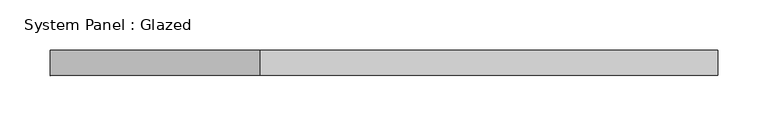
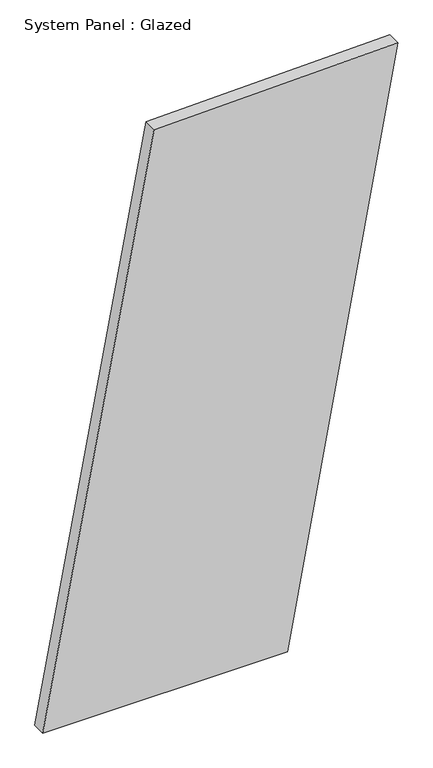
"""IFC4 building model written with IfcOpenShell, lengths in millimetres: plate geometry, System Panel : Glazed."""

from ifc_helpers import new_model, si_unit, frame, origin, place, context, project, spatial, polyline, outline, extrude, source, transform, mapped, element, save


def system_panel_glazed_5c2c7c5c(model_context):
    return source(origin(), model_context, "Body", "SweptSolid", [
        extrude(outline(polyline([(0.0, -331.7758868), (0.0, 125.6552728), (1130.2796949, 331.7758868), (1118.2043546, -123.6641273), (0.0, -331.7758868)])), frame((0.0, -49.5, 0.0), z_axis=(0.0, 1.0, 0.0), x_axis=(0.0, 0.0, 1.0)), (0.0, 0.0, 1.0), 25.0),
    ])


if __name__ == "__main__":
    model = new_model("IFC4")
    model_context = context("Model", 3, world=origin())
    ifc_project = project(units=[si_unit("LENGTHUNIT", "METRE", prefix="MILLI")], contexts=[model_context])
    site = spatial("IfcSite", under=ifc_project)
    building = spatial("IfcBuilding", under=site)
    placement = place(None, origin())
    system_panel_glazed_shape = system_panel_glazed_5c2c7c5c(model_context)
    element("IfcPlate", 1, ObjectType="System Panel : Glazed", at=placement, inside=building, context=model_context, shape_type="MappedRepresentation", body=[
        mapped(system_panel_glazed_shape, transform((0.0, 0.0, 0.0), x_axis=(1.0, 0.0, 0.0), y_axis=(0.0, 1.0, 0.0), z_axis=(0.0, 0.0, 1.0))),
    ])
    save(model, "model.ifc")
